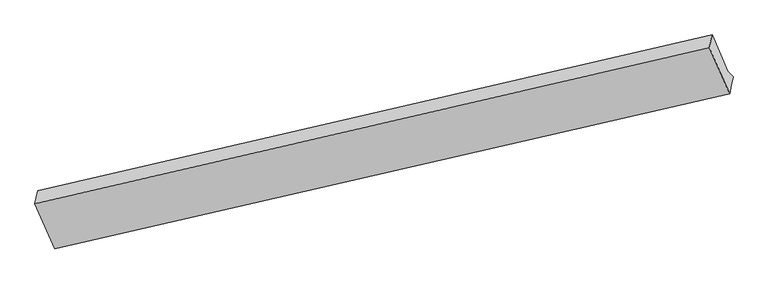
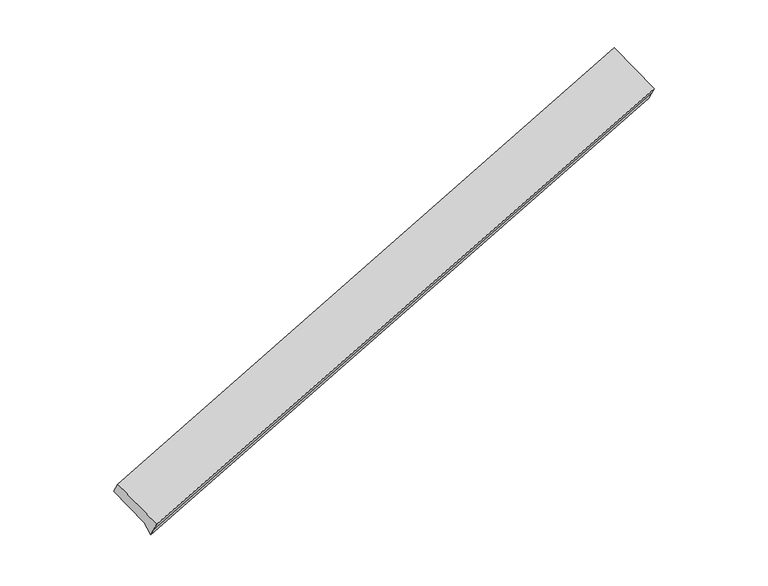
"""IFC4 building model written with IfcOpenShell, lengths in millimetres: proxy geometry."""

from ifc_helpers import new_model, si_unit, frame, origin, place, context, project, spatial, source, transform, mapped, element, save
from ifc_brep_helpers import plane_surface, spline_surface, advanced_brep


def generic_models_f5cb7e86(model_context):
    return source(origin(), model_context, "Body", "AdvancedBrep", [
        advanced_brep(
        [(-6058.2442848, -2065.8491529, 1221.8099316), (-5877.5276939, -2476.639783, 950.2305029), (284.2521556, -1061.3064344, 2880.6483489), (100.0904542, -642.6846523, 3157.4050616), (-6034.1604078, -1948.6596127, 1060.5753008), (124.1743312, -525.4951121, 2996.1704308), (-5892.3512186, -2271.0090212, 847.4656002), (269.4286309, -855.6756726, 2777.8834461), (-5842.0178945, -2303.8529403, 712.5026071), (316.1632926, -906.0302937, 2667.0124631), (-5858.2745114, -2382.9558799, 821.3359829), (299.9066756, -985.1332333, 2775.8458389)],
        [
            (0, 1),
            (1, 2),
            (2, 3),
            (3, 0),
            (4, 0),
            (3, 5),
            (5, 4),
            (6, 4),
            (5, 7),
            (7, 6),
            (8, 6),
            (7, 9),
            (9, 8),
            (10, 8),
            (9, 11),
            (11, 10),
            (1, 10),
            (11, 2),
        ],
        [
            plane_surface(frame((-5967.8859893, -2271.244468, 1086.0202172), z_axis=(-0.11784231766885345, -0.5832016897776847, 0.8037343946894936), x_axis=(0.344511048376701, -0.7831152077794704, -0.5177284122886279))),
            plane_surface(frame((-6046.2023463, -2007.2543828, 1141.1926162), z_axis=(-0.343806685853884, 0.7832772754537307, 0.5179514190732077), x_axis=(-0.11995541357873642, -0.5836900664854396, 0.8030669990974462))),
            plane_surface(frame((-5963.2558132, -2109.834317, 954.0204505), z_axis=(0.11784231766885118, 0.5832016897776849, -0.8037343946894936), x_axis=(-0.3445110483767005, 0.78311520777947, 0.5177284122886288))),
            spline_surface(1, 1, [[(-5842.0178945, -2303.8529403, 712.5026071), (316.1632926, -906.0302937, 2667.0124631)], [(-5892.3512186, -2271.0090212, 847.4656002), (269.4286309, -855.6756726, 2777.8834461)]], [2, 2], [2, 2], [0.0, 1.0], [0.0, 1.0]),
            plane_surface(frame((-5850.1462029, -2343.4044101, 766.919295), z_axis=(0.34239737433675144, -0.7836000655766899, -0.5183965424995678), x_axis=(0.11995541357877662, 0.5836900664854532, -0.8030669990974303))),
            plane_surface(frame((-5867.9011027, -2429.7978314, 885.7832429), z_axis=(0.3423973743367529, -0.7836000655766845, -0.5183965424995749), x_axis=(0.11995541357873958, 0.5836900664854525, -0.8030669990974362))),
            plane_surface(frame((218.8217729, -798.238433, 2895.8239501), z_axis=(0.9310869112491686, 0.21456112795817905, 0.2950265853610426), x_axis=(-0.35831109029351127, 0.3860650423780589, 0.8500393788680044))),
            plane_surface(frame((-5940.8602999, -2213.202102, 958.5167885), z_axis=(-0.9310869112491795, -0.21456112795823248, -0.29502658536097), x_axis=(-0.3445110483767009, 0.7831152077794706, 0.5177284122886276))),
        ],
        [
            (0, [[1, 2, 3, 4]]),
            (1, [[5, -4, 6, 7]]),
            (2, [[8, -7, 9, 10]]),
            (3, [[11, -10, 12, 13]]),
            (4, [[14, -13, 15, 16]]),
            (5, [[17, -16, 18, -2]]),
            (6, [[-12, -9, -6, -3, -18, -15]]),
            (7, [[-1, -5, -8, -11, -14, -17]]),
        ],
    ),
    ])


if __name__ == "__main__":
    model = new_model("IFC4")
    model_context = context("Model", 3, world=origin())
    ifc_project = project(units=[si_unit("LENGTHUNIT", "METRE", prefix="MILLI")], contexts=[model_context])
    site = spatial("IfcSite", under=ifc_project)
    building = spatial("IfcBuilding", under=site)
    placement = place(None, origin())
    generic_models_shape = generic_models_f5cb7e86(model_context)
    element("IfcBuildingElementProxy", 1, Name="Generic Models", at=placement, inside=building, context=model_context, shape_type="MappedRepresentation", body=[
        mapped(generic_models_shape, transform((0.0, 0.0, 0.0), x_axis=(1.0, 0.0, 0.0), y_axis=(0.0, 1.0, 0.0), z_axis=(0.0, 0.0, 1.0))),
    ])
    save(model, "model.ifc")
